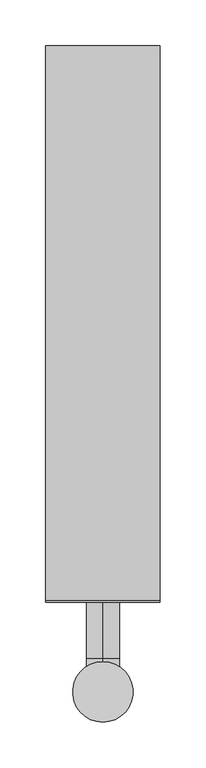
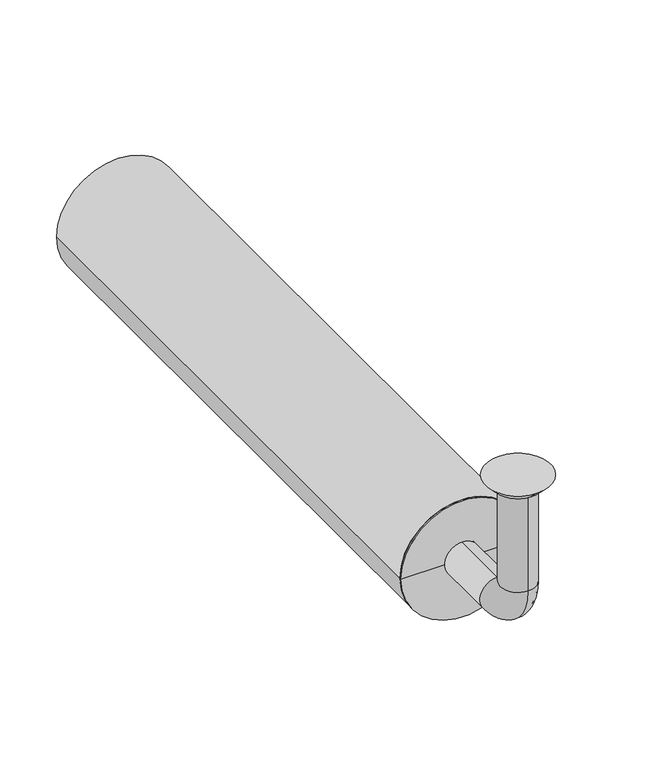
"""IFC4 building model written with IfcOpenShell, lengths in millimetres: beam geometry."""

from ifc_helpers import new_model, si_unit, point, frame, frame_2d, origin, place, context, project, spatial, polyline, circle_curve, ellipse_curve, trimmed, segment, composite_curve, outline, extrude, source, transform, mapped, element, save
from ifc_brep_helpers import plane_surface, cylinder_surface, revolved_surface, advanced_brep


def beam_08188eba(model_context):
    return source(origin(), model_context, "Body", "SolidModel", [
        extrude(outline(composite_curve([segment(trimmed(circle_curve(frame_2d((-150.0, 0.0)), 62.5), [point((-150.0, 62.5))], [point((-150.0, -62.5))], False, "CARTESIAN"), True, "CONTINUOUS"), segment(trimmed(circle_curve(frame_2d((-150.0, 0.0)), 62.5), [point((-150.0, -62.5))], [point((-150.0, 62.5))], False, "CARTESIAN"), True, "CONTINUOUS")], self_intersect=False), holes=[composite_curve([segment(trimmed(circle_curve(frame_2d((-150.0, 0.0)), 60.0), [point((-150.0, 60.0))], [point((-150.0, -60.0))], True, "CARTESIAN"), True, "CONTINUOUS"), segment(trimmed(circle_curve(frame_2d((-150.0, 0.0)), 60.0), [point((-150.0, -60.0))], [point((-150.0, 60.0))], True, "CARTESIAN"), True, "CONTINUOUS")], self_intersect=False)]), frame((0.0, 100.0, 0.0), z_axis=(0.0, 1.0, 0.0), x_axis=(0.0, 0.0, 1.0)), (0.0, 0.0, 1.0), 605.0),
        advanced_brep(
        [(0.0, -18.0, -10.0), (0.0, 18.0, -10.0), (0.0, -17.0, -10.0), (0.0, 17.0, -10.0), (0.0, -18.0, -114.0), (0.0, 18.0, -114.0), (0.0, -17.0, -114.0), (0.0, 17.0, -114.0), (0.0, 36.0, -132.0), (0.0, 36.0, -168.0), (0.0, 36.0, -133.0), (0.0, 36.0, -167.0), (0.0, 123.0, -168.0), (0.0, 123.0, -132.0), (0.0, 123.0, -167.0), (0.0, 123.0, -133.0)],
        [
            (0, 1, circle_curve(frame((0.0, 0.0, -10.0), z_axis=(0.0, 0.0, 1.0), x_axis=(0.0, 1.0, 0.0)), 18.0)),
            (1, 0, circle_curve(frame((0.0, 0.0, -10.0), z_axis=(0.0, 0.0, 1.0), x_axis=(0.0, 1.0, 0.0)), 18.0)),
            (2, 3, circle_curve(frame((0.0, 0.0, -10.0), z_axis=(0.0, 0.0, -1.0), x_axis=(0.0, 1.0, 0.0)), 17.0)),
            (3, 2, circle_curve(frame((0.0, 0.0, -10.0), z_axis=(0.0, 0.0, -1.0), x_axis=(0.0, 1.0, 0.0)), 17.0)),
            (0, 4),
            (4, 5, circle_curve(frame((0.0, 0.0, -114.0), z_axis=(0.0, 0.0, 1.0), x_axis=(0.0, 1.0, 0.0)), 18.0)),
            (5, 1),
            (5, 4, circle_curve(frame((0.0, 0.0, -114.0), z_axis=(0.0, 0.0, 1.0), x_axis=(0.0, 1.0, 0.0)), 18.0)),
            (2, 6),
            (6, 7, circle_curve(frame((0.0, 0.0, -114.0), z_axis=(0.0, 0.0, -1.0), x_axis=(0.0, 1.0, 0.0)), 17.0)),
            (7, 3),
            (7, 6, circle_curve(frame((0.0, 0.0, -114.0), z_axis=(0.0, 0.0, -1.0), x_axis=(0.0, 1.0, 0.0)), 17.0)),
            (8, 5, circle_curve(frame((0.0, 36.0, -114.0), z_axis=(-1.0, 0.0, 0.0), x_axis=(0.0, -1.0, 0.0)), 18.0)),
            (4, 9, circle_curve(frame((0.0, 36.0, -114.0), z_axis=(1.0, 0.0, 0.0), x_axis=(0.0, -1.0, 0.0)), 54.0)),
            (9, 8, circle_curve(frame((0.0, 36.0, -150.0), z_axis=(0.0, -1.0, 0.0), x_axis=(0.0, 0.0, 1.0)), 18.0)),
            (8, 9, circle_curve(frame((0.0, 36.0, -150.0), z_axis=(0.0, -1.0, 0.0), x_axis=(0.0, 0.0, 1.0)), 18.0)),
            (10, 7, circle_curve(frame((0.0, 36.0, -114.0), z_axis=(-1.0, 0.0, 0.0), x_axis=(0.0, -1.0, 0.0)), 19.0)),
            (6, 11, circle_curve(frame((0.0, 36.0, -114.0), z_axis=(1.0, 0.0, 0.0), x_axis=(0.0, -1.0, 0.0)), 53.0)),
            (11, 10, circle_curve(frame((0.0, 36.0, -150.0), z_axis=(0.0, 1.0, 0.0), x_axis=(0.0, 0.0, 1.0)), 17.0)),
            (10, 11, circle_curve(frame((0.0, 36.0, -150.0), z_axis=(0.0, 1.0, 0.0), x_axis=(0.0, 0.0, 1.0)), 17.0)),
            (12, 13, circle_curve(frame((0.0, 123.0, -150.0), z_axis=(0.0, 1.0, 0.0), x_axis=(0.0, 0.0, 1.0)), 18.0)),
            (13, 12, circle_curve(frame((0.0, 123.0, -150.0), z_axis=(0.0, 1.0, 0.0), x_axis=(0.0, 0.0, 1.0)), 18.0)),
            (14, 15, circle_curve(frame((0.0, 123.0, -150.0), z_axis=(0.0, -1.0, 0.0), x_axis=(0.0, 0.0, 1.0)), 17.0)),
            (15, 14, circle_curve(frame((0.0, 123.0, -150.0), z_axis=(0.0, -1.0, 0.0), x_axis=(0.0, 0.0, 1.0)), 17.0)),
            (9, 12),
            (13, 8),
            (11, 14),
            (15, 10),
        ],
        [
            plane_surface(frame((0.0, 0.0, -10.0), z_axis=(0.0, 0.0, 1.0), x_axis=(1.0, 0.0, 0.0))),
            cylinder_surface(frame((0.0, 0.0, -10.0), z_axis=(0.0, 0.0, 1.0), x_axis=(0.0, 1.0, 0.0)), 18.0),
            revolved_surface(polyline([(0.0, 17.0, -114.0), (0.0, 17.0, -10.0)]), (0.0, 0.0, -10.0), (0.0, 0.0, -1.0)),
            revolved_surface(trimmed(ellipse_curve(frame((0.0, 0.0, -114.0), z_axis=(0.0, 0.0, 1.0), x_axis=(0.0, 1.0, 0.0)), 18.0, 18.0), [point((0.0, -18.0, -114.0))], [point((0.0, 18.0, -114.0))], True, "CARTESIAN"), (0.0, 36.0, -114.0), (1.0, 0.0, 0.0)),
            revolved_surface(trimmed(ellipse_curve(frame((0.0, 0.0, -114.0), z_axis=(0.0, 0.0, 1.0), x_axis=(0.0, 1.0, 0.0)), 18.0, 18.0), [point((0.0, 18.0, -114.0))], [point((0.0, -18.0, -114.0))], True, "CARTESIAN"), (0.0, 36.0, -114.0), (1.0, 0.0, 0.0)),
            revolved_surface(trimmed(ellipse_curve(frame((0.0, 0.0, -114.0), z_axis=(0.0, 0.0, -1.0), x_axis=(0.0, 1.0, 0.0)), 17.0, 17.0), [point((0.0, -17.0, -114.0))], [point((0.0, 17.0, -114.0))], True, "CARTESIAN"), (0.0, 36.0, -114.0), (1.0, 0.0, 0.0)),
            revolved_surface(trimmed(ellipse_curve(frame((0.0, 0.0, -114.0), z_axis=(0.0, 0.0, -1.0), x_axis=(0.0, 1.0, 0.0)), 17.0, 17.0), [point((0.0, 17.0, -114.0))], [point((0.0, -17.0, -114.0))], True, "CARTESIAN"), (0.0, 36.0, -114.0), (1.0, 0.0, 0.0)),
            plane_surface(frame((0.0, 123.0, -150.0), z_axis=(0.0, 1.0, 0.0), x_axis=(1.0, 0.0, 0.0))),
            cylinder_surface(frame((0.0, 36.0, -150.0), z_axis=(0.0, -1.0, 0.0), x_axis=(0.0, 0.0, 1.0)), 18.0),
            revolved_surface(polyline([(0.0, 123.0, -133.0), (0.0, 36.0, -133.0)]), (0.0, 36.0, -150.0), (0.0, 1.0, 0.0)),
        ],
        [
            (0, [[1, 2], [3, 4]]),
            (1, [[-1, 5, 6, 7]]),
            (1, [[-2, -7, 8, -5]]),
            (2, [[-3, 9, 10, 11]]),
            (2, [[-4, -11, 12, -9]]),
            (3, [[13, -6, 14, 15]]),
            (4, [[-14, -8, -13, 16]]),
            (5, [[17, -10, 18, 19]]),
            (6, [[-18, -12, -17, 20]]),
            (7, [[21, 22], [23, 24]]),
            (8, [[-15, 25, -22, 26]]),
            (8, [[-16, -26, -21, -25]]),
            (9, [[-19, 27, -24, 28]]),
            (9, [[-20, -28, -23, -27]]),
        ],
    ),
        advanced_brep(
        [(0.0, 23.0, -10.0), (0.0, -23.0, -10.0), (0.0, 33.0, 0.0), (0.0, -33.0, 0.0)],
        [
            (0, 1, circle_curve(frame((0.0, 0.0, -10.0), z_axis=(0.0, 0.0, -1.0), x_axis=(0.0, 1.0, 0.0)), 23.0)),
            (1, 0, circle_curve(frame((0.0, 0.0, -10.0), z_axis=(0.0, 0.0, -1.0), x_axis=(0.0, -1.0, 0.0)), 23.0)),
            (2, 3, circle_curve(frame((0.0, 0.0, 0.0), z_axis=(0.0, 0.0, 1.0), x_axis=(0.0, -1.0, 0.0)), 33.0)),
            (3, 2, circle_curve(frame((0.0, 0.0, 0.0), z_axis=(0.0, 0.0, 1.0), x_axis=(0.0, 1.0, 0.0)), 33.0)),
            (3, 1),
            (0, 2),
        ],
        [
            plane_surface(frame((0.0, 0.0, -10.0), z_axis=(0.0, 0.0, -1.0), x_axis=(-1.0, 0.0, 0.0))),
            plane_surface(frame((0.0, 0.0, 0.0), z_axis=(0.0, 0.0, 1.0), x_axis=(-1.0, 0.0, 0.0))),
            revolved_surface(polyline([(0.0, 23.0, -10.0), (0.0, 33.0, 0.0)]), (0.0, 0.0, -33.0), (0.0, 0.0, 1.0)),
            revolved_surface(polyline([(0.0, -23.0, -10.0), (0.0, -33.0, 0.0)]), (0.0, 0.0, -33.0), (0.0, 0.0, 1.0)),
        ],
        [
            (0, [[1, 2]]),
            (1, [[3, 4]]),
            (2, [[-4, 5, -1, 6]]),
            (3, [[-3, -6, -2, -5]]),
        ],
    ),
        advanced_brep(
        [(60.0, 100.0, -150.0), (-60.0, 100.0, -150.0), (-60.0, 123.0, -150.0), (60.0, 123.0, -150.0), (-18.0, 123.0, -150.0), (18.0, 123.0, -150.0), (-18.0, 98.0, -150.0), (18.0, 98.0, -150.0), (-62.5, 98.0, -150.0), (62.5, 98.0, -150.0), (-62.5, 100.0, -150.0), (62.5, 100.0, -150.0)],
        [
            (0, 1, circle_curve(frame((0.0, 100.0, -150.0), z_axis=(0.0, 1.0, 0.0), x_axis=(-1.0, 0.0, 0.0)), 60.0)),
            (1, 2),
            (2, 3, circle_curve(frame((0.0, 123.0, -150.0), z_axis=(0.0, -1.0, 0.0), x_axis=(-1.0, 0.0, 0.0)), 60.0)),
            (3, 0),
            (1, 0, circle_curve(frame((0.0, 100.0, -150.0), z_axis=(0.0, 1.0, 0.0), x_axis=(-1.0, 0.0, 0.0)), 60.0)),
            (3, 2, circle_curve(frame((0.0, 123.0, -150.0), z_axis=(0.0, -1.0, 0.0), x_axis=(-1.0, 0.0, 0.0)), 60.0)),
            (2, 4),
            (4, 5, circle_curve(frame((0.0, 123.0, -150.0), z_axis=(0.0, -1.0, 0.0), x_axis=(-1.0, 0.0, 0.0)), 18.0)),
            (5, 3),
            (5, 4, circle_curve(frame((0.0, 123.0, -150.0), z_axis=(0.0, -1.0, 0.0), x_axis=(-1.0, 0.0, 0.0)), 18.0)),
            (4, 6),
            (6, 7, circle_curve(frame((0.0, 98.0, -150.0), z_axis=(0.0, -1.0, 0.0), x_axis=(-1.0, 0.0, 0.0)), 18.0)),
            (7, 5),
            (7, 6, circle_curve(frame((0.0, 98.0, -150.0), z_axis=(0.0, -1.0, 0.0), x_axis=(-1.0, 0.0, 0.0)), 18.0)),
            (6, 8),
            (8, 9, circle_curve(frame((0.0, 98.0, -150.0), z_axis=(0.0, -1.0, 0.0), x_axis=(-1.0, 0.0, 0.0)), 62.5)),
            (9, 7),
            (9, 8, circle_curve(frame((0.0, 98.0, -150.0), z_axis=(0.0, -1.0, 0.0), x_axis=(-1.0, 0.0, 0.0)), 62.5)),
            (8, 10),
            (10, 11, circle_curve(frame((0.0, 100.0, -150.0), z_axis=(0.0, -1.0, 0.0), x_axis=(-1.0, 0.0, 0.0)), 62.5)),
            (11, 9),
            (11, 10, circle_curve(frame((0.0, 100.0, -150.0), z_axis=(0.0, -1.0, 0.0), x_axis=(-1.0, 0.0, 0.0)), 62.5)),
            (10, 1),
            (0, 11),
        ],
        [
            cylinder_surface(frame((0.0, 98.0, -150.0), z_axis=(0.0, -1.0, 0.0), x_axis=(-1.0, 0.0, 0.0)), 60.0),
            plane_surface(frame((0.0, 123.0, -150.0), z_axis=(0.0, 1.0, 0.0), x_axis=(-1.0, 0.0, 0.0))),
            revolved_surface(polyline([(-18.0, 98.0, -150.0), (-18.0, 123.0, -150.0)]), (0.0, 98.0, -150.0), (0.0, -1.0, 0.0)),
            plane_surface(frame((0.0, 98.0, -150.0), z_axis=(0.0, -1.0, 0.0), x_axis=(-1.0, 0.0, 0.0))),
            cylinder_surface(frame((0.0, 98.0, -150.0), z_axis=(0.0, -1.0, 0.0), x_axis=(-1.0, 0.0, 0.0)), 62.5),
            plane_surface(frame((0.0, 100.0, -150.0), z_axis=(0.0, 1.0, 0.0), x_axis=(-1.0, 0.0, 0.0))),
        ],
        [
            (0, [[1, 2, 3, 4]]),
            (0, [[5, -4, 6, -2]]),
            (1, [[-3, 7, 8, 9]]),
            (1, [[-6, -9, 10, -7]]),
            (2, [[-8, 11, 12, 13]]),
            (2, [[-10, -13, 14, -11]]),
            (3, [[-12, 15, 16, 17]]),
            (3, [[-14, -17, 18, -15]]),
            (4, [[-16, 19, 20, 21]]),
            (4, [[-18, -21, 22, -19]]),
            (5, [[-20, 23, -1, 24]]),
            (5, [[-22, -24, -5, -23]]),
        ],
    ),
    ])


if __name__ == "__main__":
    model = new_model("IFC4")
    model_context = context("Model", 3, world=origin())
    ifc_project = project(units=[si_unit("LENGTHUNIT", "METRE", prefix="MILLI")], contexts=[model_context])
    site = spatial("IfcSite", under=ifc_project)
    building = spatial("IfcBuilding", under=site)
    placement = place(None, origin())
    beam_shape = beam_08188eba(model_context)
    element("IfcBeam", 1, at=placement, inside=building, context=model_context, shape_type="MappedRepresentation", body=[
        mapped(beam_shape, transform((0.0, 0.0, 0.0), x_axis=(1.0, 0.0, 0.0), y_axis=(0.0, 1.0, 0.0), z_axis=(0.0, 0.0, 1.0))),
    ])
    save(model, "model.ifc")
